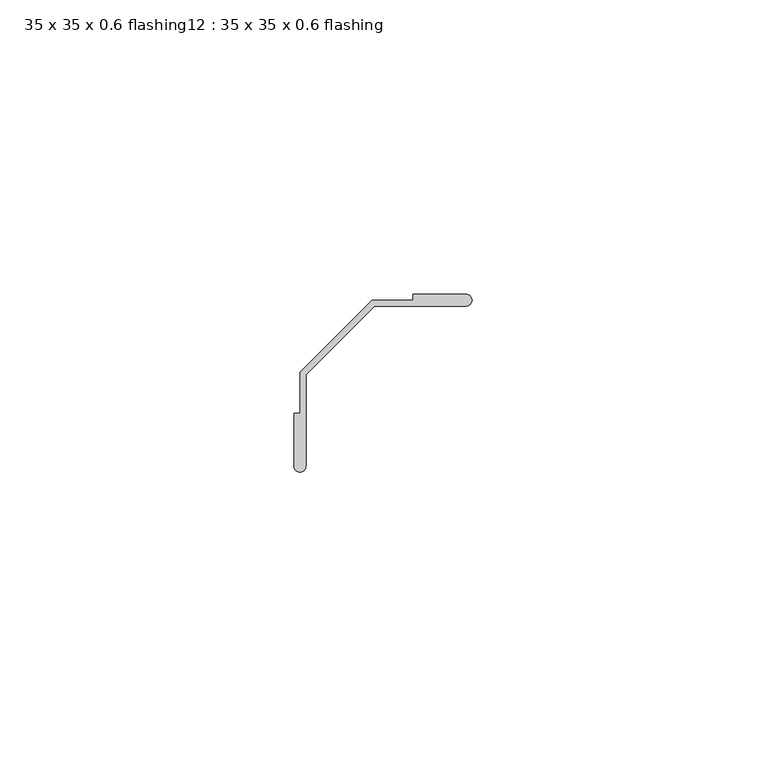
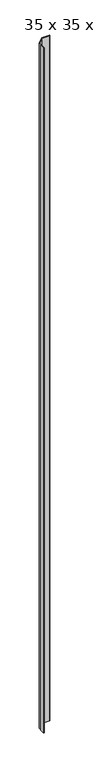
"""IFC4 building model written with IfcOpenShell, lengths in millimetres: proxy geometry, 35 x 35 x 0.6 flashing12 : 35 x 35 x 0.6 flashing."""

from ifc_helpers import new_model, si_unit, point, frame, frame_2d, origin, place, context, project, spatial, polyline, circle_curve, trimmed, segment, composite_curve, outline, extrude, source, transform, mapped, element, save


def proxy_35_x_35_x_0_6_flashing12_35_x_35_x_0_6_flashing_655ff414(model_context):
    return source(origin(), model_context, "Body", "SweptSolid", [
        extrude(outline(composite_curve([segment(trimmed(circle_curve(frame_2d((-7536.7725934, 878.4362216)), 1.0), [point((-7535.7725934, 878.4362216))], [point((-7537.7725934, 878.4362216))], False, "CARTESIAN"), True, "CONTINUOUS"), segment(polyline([(-7537.7725934, 878.4362216), (-7537.7725934, 887.468899), (-7536.7725934, 887.468899), (-7536.7725934, 894.4362216), (-7524.5626708, 906.6461443), (-7517.5953482, 906.6461443), (-7517.5953482, 907.6461443), (-7508.5626708, 907.6461443)]), True, "CONTINUOUS"), segment(trimmed(circle_curve(frame_2d((-7508.5626708, 906.6461443)), 1.0), [point((-7508.5626708, 907.6461443))], [point((-7508.5626708, 905.6461443))], False, "CARTESIAN"), True, "CONTINUOUS"), segment(polyline([(-7508.5626708, 905.6461443), (-7524.1484572, 905.6461443), (-7535.7725934, 894.022008), (-7535.7725934, 878.4362216)]), True, "CONTINUOUS")], self_intersect=False)), frame((0.0, 0.0, -140.0), z_axis=(0.0, 0.0, 1.0), x_axis=(1.0, 0.0, 0.0)), (0.0, 0.0, 1.0), 1500.0),
    ])


if __name__ == "__main__":
    model = new_model("IFC4")
    model_context = context("Model", 3, world=origin())
    ifc_project = project(units=[si_unit("LENGTHUNIT", "METRE", prefix="MILLI")], contexts=[model_context])
    site = spatial("IfcSite", under=ifc_project)
    building = spatial("IfcBuilding", under=site)
    placement = place(None, origin())
    proxy_35_x_35_x_0_6_flashing12_35_x_35_x_0_6_flashing_shape = proxy_35_x_35_x_0_6_flashing12_35_x_35_x_0_6_flashing_655ff414(model_context)
    element("IfcBuildingElementProxy", 1, Name="35 x 35 x 0.6 flashing12 : 35 x 35 x 0.6 flashing", ObjectType="35 x 35 x 0.6 flashing12 : 35 x 35 x 0.6 flashing", at=placement, inside=building, context=model_context, shape_type="MappedRepresentation", body=[
        mapped(proxy_35_x_35_x_0_6_flashing12_35_x_35_x_0_6_flashing_shape, transform((0.0, 0.0, 0.0), x_axis=(1.0, 0.0, 0.0), y_axis=(0.0, 1.0, 0.0), z_axis=(0.0, 0.0, 1.0))),
    ])
    save(model, "model.ifc")
